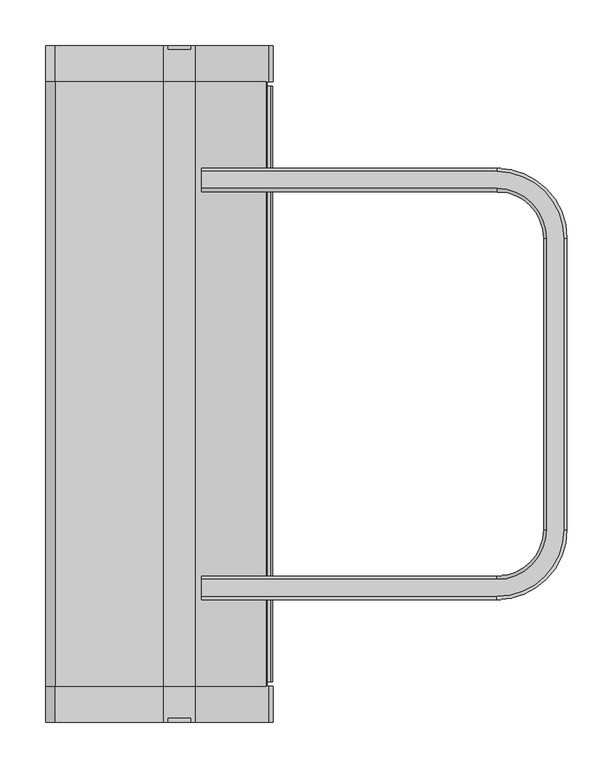
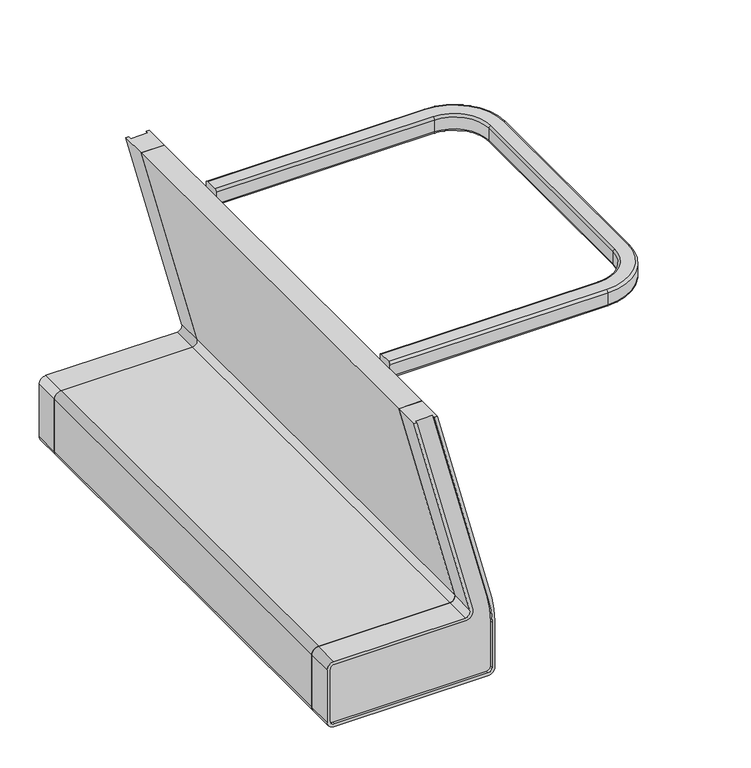
"""IFC4 building model written with IfcOpenShell, lengths in millimetres: furniture geometry."""

from ifc_helpers import new_model, si_unit, point, frame, frame_2d, origin, place, context, project, spatial, polyline, circle_curve, ellipse_curve, trimmed, segment, composite_curve, outline, extrude, source, transform, mapped, element, save
from ifc_brep_helpers import plane_surface, cylinder_surface, revolved_surface, advanced_brep


def furniture_e2d48e01(model_context):
    return source(origin(), model_context, "Body", "SolidModel", [
        advanced_brep(
        [(5.4356001, -43.7636032, 294.9958383), (245.1908743, -43.7636032, 294.9958383), (247.258436, -43.7636032, 292.9282766), (247.258436, -43.7636032, 289.8830508), (239.6130451, -43.7636032, 280.238436), (239.3348099, -43.7636032, 281.4254638), (246.0392335, -43.7636032, 289.8830508), (246.0392335, -43.7636032, 293.0017958), (245.2643935, -43.7636032, 293.7766358), (231.4088402, -43.7636032, 293.7766358), (231.4088402, -43.7636032, 292.5625202), (216.8524401, -43.7636032, 292.5625202), (215.6049538, -43.7636032, 291.3150339), (215.6049538, -43.7636032, 282.2856766), (213.0376263, -43.7636032, 279.8574454), (40.2589289, -43.7636032, 279.8574454), (37.754159, -43.7636032, 282.3622153), (37.754159, -43.7636032, 292.5625202), (21.9502795, -43.7636032, 292.5625202), (21.9502795, -43.7636032, 293.7766358), (4.2164, -43.7636032, 293.7766358), (4.2164, -43.7636032, 312.826654), (5.4356001, -43.7636032, 312.826654), (38.9682791, -43.7636032, 293.7766358), (38.9682791, -43.7636032, 282.3149181), (40.2116362, -43.7636032, 281.071561), (213.163093, -43.7636032, 281.071561), (214.3908382, -43.7636032, 282.2993062), (214.3908382, -43.7636032, 293.7766358), (5.4356001, -692.835181, 294.9958383), (5.4356001, -692.835181, 312.826654), (4.2164, -692.835181, 312.826654), (4.2164, -692.835181, 293.7766358), (21.9502795, -692.835181, 293.7766358), (21.9502795, -692.835181, 292.5625202), (37.754159, -692.835181, 292.5625202), (37.754159, -692.835181, 282.3622153), (40.2589289, -692.835181, 279.8574454), (213.1767227, -692.835181, 279.8574454), (215.6049538, -692.835181, 282.2856766), (215.6049538, -692.835181, 291.3150339), (216.8524401, -692.835181, 292.5625202), (231.4088402, -692.835181, 292.5625202), (231.4088402, -692.835181, 293.7766358), (245.2643935, -692.835181, 293.7766358), (246.0392335, -692.835181, 293.0017958), (246.0392335, -692.835181, 289.8830508), (239.3348099, -692.835181, 281.4254638), (239.6130451, -692.835181, 280.238436), (247.258436, -692.835181, 289.8830508), (247.258436, -692.835181, 292.9282766), (245.1908743, -692.835181, 294.9958383), (38.9682791, -692.835181, 293.7766358), (214.3908382, -692.835181, 293.7766358), (214.3908382, -692.835181, 282.2993062), (213.163093, -692.835181, 281.071561), (40.2116362, -692.835181, 281.071561), (38.9682791, -692.835181, 282.3149181)],
        [
            (0, 1),
            (1, 2, circle_curve(frame((245.1908743, -43.7636032, 292.9282766), z_axis=(0.0, 1.0, 0.0), x_axis=(-1.0, 0.0, 0.0)), 2.0675617)),
            (2, 3),
            (3, 4, circle_curve(frame((237.3524286, -43.7636032, 289.8830508), z_axis=(0.0, 1.0, 0.0), x_axis=(-1.0, 0.0, 0.0)), 9.9060073)),
            (4, 5),
            (5, 6, circle_curve(frame((237.3524261, -43.7636032, 289.8830508), z_axis=(0.0, -1.0, 0.0), x_axis=(-1.0, 0.0, 0.0)), 8.6868074)),
            (6, 7),
            (7, 8, circle_curve(frame((245.2643935, -43.7636032, 293.0017958), z_axis=(0.0, -1.0, 0.0), x_axis=(-1.0, 0.0, 0.0)), 0.77484)),
            (8, 9),
            (9, 10),
            (10, 11),
            (11, 12, circle_curve(frame((216.8524401, -43.7636032, 291.3150339), z_axis=(0.0, -1.0, 0.0), x_axis=(-1.0, 0.0, 0.0)), 1.2474863)),
            (12, 13),
            (13, 14, circle_curve(frame((213.1729546, -43.7636032, 282.2856766), z_axis=(0.0, 1.0, 0.0), x_axis=(-1.0, 0.0, 0.0)), 2.4319992)),
            (14, 15),
            (15, 16, circle_curve(frame((40.2589289, -43.7636032, 282.3622153), z_axis=(0.0, 1.0, 0.0), x_axis=(-1.0, 0.0, 0.0)), 2.5047699)),
            (16, 17),
            (17, 18),
            (18, 19),
            (19, 20),
            (20, 21),
            (21, 22),
            (22, 0),
            (23, 24),
            (24, 25, circle_curve(frame((40.2116362, -43.7636032, 282.3149181), z_axis=(0.0, -1.0, 0.0), x_axis=(-1.0, 0.0, 0.0)), 1.2433571)),
            (25, 26),
            (26, 27, circle_curve(frame((213.163093, -43.7636032, 282.2993062), z_axis=(0.0, -1.0, 0.0), x_axis=(-1.0, 0.0, 0.0)), 1.2277452)),
            (27, 28),
            (28, 23),
            (29, 30),
            (30, 31),
            (31, 32),
            (32, 33),
            (33, 34),
            (34, 35),
            (35, 36),
            (36, 37, circle_curve(frame((40.2589289, -692.835181, 282.3622153), z_axis=(0.0, -1.0, 0.0), x_axis=(-1.0, 0.0, 0.0)), 2.5047699)),
            (37, 38),
            (38, 39, circle_curve(frame((213.1729546, -692.835181, 282.2856766), z_axis=(0.0, -1.0, 0.0), x_axis=(-1.0, 0.0, 0.0)), 2.4319992)),
            (39, 40),
            (40, 41, circle_curve(frame((216.8524401, -692.835181, 291.3150339), z_axis=(0.0, 1.0, 0.0), x_axis=(-1.0, 0.0, 0.0)), 1.2474863)),
            (41, 42),
            (42, 43),
            (43, 44),
            (44, 45, circle_curve(frame((245.2643935, -692.835181, 293.0017958), z_axis=(0.0, 1.0, 0.0), x_axis=(-1.0, 0.0, 0.0)), 0.77484)),
            (45, 46),
            (46, 47, circle_curve(frame((237.3524261, -692.835181, 289.8830508), z_axis=(0.0, 1.0, 0.0), x_axis=(-1.0, 0.0, 0.0)), 8.6868074)),
            (47, 48),
            (48, 49, circle_curve(frame((237.3524286, -692.835181, 289.8830508), z_axis=(0.0, -1.0, 0.0), x_axis=(-1.0, 0.0, 0.0)), 9.9060073)),
            (49, 50),
            (50, 51, circle_curve(frame((245.1908743, -692.835181, 292.9282766), z_axis=(0.0, -1.0, 0.0), x_axis=(-1.0, 0.0, 0.0)), 2.0675617)),
            (51, 29),
            (52, 53),
            (53, 54),
            (54, 55, circle_curve(frame((213.163093, -692.835181, 282.2993062), z_axis=(0.0, 1.0, 0.0), x_axis=(-1.0, 0.0, 0.0)), 1.2277452)),
            (55, 56),
            (56, 57, circle_curve(frame((40.2116362, -692.835181, 282.3149181), z_axis=(0.0, 1.0, 0.0), x_axis=(-1.0, 0.0, 0.0)), 1.2433571)),
            (57, 52),
            (0, 29),
            (51, 1),
            (50, 2),
            (49, 3),
            (48, 4),
            (47, 5),
            (46, 6),
            (45, 7),
            (44, 8),
            (43, 9),
            (42, 10),
            (41, 11),
            (40, 12),
            (39, 13),
            (38, 14),
            (37, 15),
            (36, 16),
            (35, 17),
            (34, 18),
            (33, 19),
            (32, 20),
            (31, 21),
            (30, 22),
            (23, 52),
            (57, 24),
            (56, 25),
            (55, 26),
            (54, 27),
            (53, 28),
        ],
        [
            plane_surface(frame((245.2772342, -43.7636032, 294.9958383), z_axis=(0.0, 1.0, 0.0), x_axis=(1.0, 0.0, 0.0))),
            plane_surface(frame((245.2772342, -692.835181, 294.9958383), z_axis=(0.0, -1.0, 0.0), x_axis=(-1.0, 0.0, 0.0))),
            plane_surface(frame((5.4356001, -43.7636032, 294.9958383), z_axis=(0.0, 0.0, 1.0), x_axis=(0.0, -1.0, 0.0))),
            cylinder_surface(frame((245.1908743, -692.835181, 292.9282766), z_axis=(0.0, 1.0, 0.0), x_axis=(-1.0, 0.0, 0.0)), 2.0675617),
            plane_surface(frame((247.258436, -43.7636032, 292.9282766), z_axis=(1.0, 0.0, 0.0), x_axis=(0.0, -1.0, 0.0))),
            cylinder_surface(frame((237.3524286, -692.835181, 289.8830508), z_axis=(0.0, 1.0, 0.0), x_axis=(-1.0, 0.0, 0.0)), 9.9060073),
            plane_surface(frame((239.6130451, -43.7636032, 280.238436), z_axis=(-0.9736116548319547, 0.0, -0.22821118635023738), x_axis=(0.0, -1.0, 0.0))),
            revolved_surface(polyline([(228.6656187, -692.835181, 289.8830508), (228.6656187, -43.763603200000034, 289.8830508)]), (237.3524261, -692.835181, 289.8830508), (0.0, -1.0, 0.0)),
            plane_surface(frame((246.0392335, -43.7636032, 289.8830508), z_axis=(-1.0, 0.0, 0.0), x_axis=(0.0, -1.0, 0.0))),
            revolved_surface(polyline([(244.4895535, -692.835181, 293.0017958), (244.4895535, -43.763603200000034, 293.0017958)]), (245.2643935, -692.835181, 293.0017958), (0.0, -1.0, 0.0)),
            plane_surface(frame((245.2643935, -43.7636032, 293.7766358), z_axis=(0.0, 0.0, -1.0), x_axis=(0.0, -1.0, 0.0))),
            plane_surface(frame((231.4088402, -43.7636032, 293.7766358), z_axis=(1.0, 0.0, 0.0), x_axis=(0.0, -1.0, 0.0))),
            plane_surface(frame((231.4088402, -43.7636032, 292.5625202), z_axis=(0.0, 0.0, -1.0), x_axis=(0.0, -1.0, 0.0))),
            revolved_surface(polyline([(215.6049538, -692.835181, 291.3150339), (215.6049538, -43.763603200000034, 291.3150339)]), (216.8524401, -692.835181, 291.3150339), (0.0, -1.0, 0.0)),
            plane_surface(frame((215.6049538, -43.7636032, 291.3150339), z_axis=(1.0, 0.0, 0.0), x_axis=(0.0, -1.0, 0.0))),
            cylinder_surface(frame((213.1729546, -692.835181, 282.2856766), z_axis=(0.0, 1.0, 0.0), x_axis=(-1.0, 0.0, 0.0)), 2.4319992),
            plane_surface(frame((213.1767227, -43.7636032, 279.8574454), z_axis=(0.0, 0.0, -1.0), x_axis=(0.0, -1.0, 0.0))),
            cylinder_surface(frame((40.2589289, -692.835181, 282.3622153), z_axis=(0.0, 1.0, 0.0), x_axis=(-1.0, 0.0, 0.0)), 2.5047699),
            plane_surface(frame((37.754159, -43.7636032, 282.3622153), z_axis=(-1.0, 0.0, 0.0), x_axis=(0.0, -1.0, 0.0))),
            plane_surface(frame((37.754159, -43.7636032, 292.5625202), z_axis=(0.0, 0.0, -1.0), x_axis=(0.0, -1.0, 0.0))),
            plane_surface(frame((21.9502795, -43.7636032, 292.5625202), z_axis=(-1.0, 0.0, 0.0), x_axis=(0.0, -1.0, 0.0))),
            plane_surface(frame((21.9502795, -43.7636032, 293.7766358), z_axis=(0.0, 0.0, -1.0), x_axis=(0.0, -1.0, 0.0))),
            plane_surface(frame((4.2164, -43.7636032, 293.7766358), z_axis=(-1.0, 0.0, 0.0), x_axis=(0.0, -1.0, 0.0))),
            plane_surface(frame((4.2164, -43.7636032, 312.826654), z_axis=(0.0, 0.0, 1.0), x_axis=(0.0, -1.0, 0.0))),
            plane_surface(frame((5.4356001, -43.7636032, 312.826654), z_axis=(1.0, 0.0, 0.0), x_axis=(0.0, -1.0, 0.0))),
            plane_surface(frame((38.9682791, -43.7636032, 293.7766358), z_axis=(1.0, 0.0, 0.0), x_axis=(0.0, -1.0, 0.0))),
            revolved_surface(polyline([(38.968279100000004, -692.835181, 282.3149181), (38.968279100000004, -43.763603200000034, 282.3149181)]), (40.2116362, -692.835181, 282.3149181), (0.0, -1.0, 0.0)),
            plane_surface(frame((40.2116362, -43.7636032, 281.071561), z_axis=(0.0, 0.0, 1.0), x_axis=(0.0, -1.0, 0.0))),
            revolved_surface(polyline([(211.93534780000002, -692.835181, 282.2993062), (211.93534780000002, -43.763603200000034, 282.2993062)]), (213.163093, -692.835181, 282.2993062), (0.0, -1.0, 0.0)),
            plane_surface(frame((214.3908382, -43.7636032, 282.2993062), z_axis=(-1.0, 0.0, 0.0), x_axis=(0.0, -1.0, 0.0))),
            plane_surface(frame((214.3908382, -43.7636032, 293.7766358), z_axis=(0.0, 0.0, -1.0), x_axis=(0.0, -1.0, 0.0))),
        ],
        [
            (0, [[1, 2, 3, 4, 5, 6, 7, 8, 9, 10, 11, 12, 13, 14, 15, 16, 17, 18, 19, 20, 21, 22, 23], [24, 25, 26, 27, 28, 29]]),
            (1, [[30, 31, 32, 33, 34, 35, 36, 37, 38, 39, 40, 41, 42, 43, 44, 45, 46, 47, 48, 49, 50, 51, 52], [53, 54, 55, 56, 57, 58]]),
            (2, [[-1, 59, -52, 60]]),
            (3, [[-2, -60, -51, 61]]),
            (4, [[-3, -61, -50, 62]]),
            (5, [[-4, -62, -49, 63]]),
            (6, [[-5, -63, -48, 64]]),
            (7, [[-6, -64, -47, 65]]),
            (8, [[-7, -65, -46, 66]]),
            (9, [[-8, -66, -45, 67]]),
            (10, [[-9, -67, -44, 68]]),
            (11, [[-10, -68, -43, 69]]),
            (12, [[-11, -69, -42, 70]]),
            (13, [[-12, -70, -41, 71]]),
            (14, [[-13, -71, -40, 72]]),
            (15, [[-14, -72, -39, 73]]),
            (16, [[-15, -73, -38, 74]]),
            (17, [[-16, -74, -37, 75]]),
            (18, [[-17, -75, -36, 76]]),
            (19, [[-18, -76, -35, 77]]),
            (20, [[-19, -77, -34, 78]]),
            (21, [[-20, -78, -33, 79]]),
            (22, [[-21, -79, -32, 80]]),
            (23, [[-22, -80, -31, 81]]),
            (24, [[-23, -81, -30, -59]]),
            (25, [[-24, 82, -58, 83]]),
            (26, [[-25, -83, -57, 84]]),
            (27, [[-26, -84, -56, 85]]),
            (28, [[-27, -85, -55, 86]]),
            (29, [[-28, -86, -54, 87]]),
            (30, [[-29, -87, -53, -82]]),
        ],
    ),
        extrude(outline(composite_curve([segment(polyline([(377.2410575, 12.261998), (377.2410575, 215.4518174)]), True, "CONTINUOUS"), segment(trimmed(circle_curve(frame_2d((403.3754018, 214.8607224)), 26.141028), [point((377.2410575, 215.4518174))], [point((409.9011823, 240.1741088))], False, "CARTESIAN"), True, "CONTINUOUS"), segment(polyline([(409.9011823, 240.1741088), (711.1999758, 162.4994055), (711.1999758, 128.1751574), (390.5967998, 210.8265225)]), True, "CONTINUOUS"), segment(trimmed(circle_curve(frame_2d((388.7710524, 203.7444807)), 7.3135948), [point((390.5967998, 210.8265225))], [point((381.4574575, 203.7444807))], True, "CARTESIAN"), True, "CONTINUOUS"), segment(polyline([(381.4574575, 203.7444807), (381.4574575, 10.1588776)]), True, "CONTINUOUS"), segment(trimmed(circle_curve(frame_2d((371.29858, 10.1588776)), 10.1588776), [point((381.4574575, 10.1588776))], [point((371.29858, 0.0))], False, "CARTESIAN"), True, "CONTINUOUS"), segment(polyline([(371.29858, 0.0), (290.0132466, 0.0)]), True, "CONTINUOUS"), segment(trimmed(circle_curve(frame_2d((290.0132466, 10.1558011)), 10.1558011), [point((290.0132466, 0.0))], [point((279.8574454, 10.1558011))], False, "CARTESIAN"), True, "CONTINUOUS"), segment(polyline([(279.8574454, 10.1558011), (279.8574454, 12.261998), (377.2410575, 12.261998)]), True, "CONTINUOUS")], self_intersect=False)), frame((0.0, -697.3577248, 0.0), z_axis=(0.0, 1.0, 0.0), x_axis=(0.0, 0.0, 1.0)), (0.0, 0.0, 1.0), 658.1139901),
        advanced_brep(
        [(10.1588776, -0.0291407, 381.4574575), (203.7444807, -0.0291407, 381.4574575), (210.8265225, -0.0291407, 390.5967998), (128.1751574, -0.0291407, 711.1999758), (132.529416, -0.0291407, 711.1999758), (214.9094286, -0.0291407, 391.6493713), (203.7444807, -0.0291407, 377.2410575), (10.9800362, -0.0291407, 377.2410575), (4.2164, -0.0291407, 370.4774214), (4.2164, -0.0291407, 290.4982396), (10.6407942, -0.0291407, 284.0738454), (237.2348775, -0.0291407, 284.0738454), (243.5848775, -0.0291407, 290.4238454), (243.5848775, -0.0291407, 360.6802374), (238.3462046, -0.0291407, 400.2485679), (158.1450181, -0.0291407, 711.1999758), (162.4994055, -0.0291407, 711.1999758), (242.8194275, -0.0291407, 399.7878255), (247.6488736, -0.0291407, 361.7261438), (247.6488736, -0.0291407, 290.0174357), (237.4888833, -0.0291407, 279.8574454), (10.1558011, -0.0291407, 279.8574454), (0.0, -0.0291407, 290.0132466), (0.0, -0.0291407, 371.29858), (10.1588776, -39.2709314, 381.4574575), (0.0, -39.2709314, 371.29858), (0.0, -39.2709314, 290.0132466), (10.1558011, -39.2709314, 279.8574454), (237.4888833, -39.2709314, 279.8574454), (247.6488736, -39.2709314, 290.0174357), (247.6488736, -39.2709314, 361.7261438), (242.8194275, -39.2709314, 399.7878255), (162.4994055, -39.2709314, 711.1999758), (128.1751574, -39.2709314, 711.1999758), (210.8265225, -39.2709314, 390.5967998), (203.7444807, -39.2709314, 381.4574575), (158.1450181, -4.4729101, 711.1999758), (132.529416, -4.4729101, 711.1999758), (10.9800362, -4.4729101, 377.2410575), (203.7444807, -4.4729101, 377.2410575), (214.9094286, -4.4729101, 391.6493713), (238.3462046, -4.4729101, 400.2485679), (243.5848775, -4.4729101, 360.6802374), (243.5848775, -4.4729101, 290.4238454), (237.2348775, -4.4729101, 284.0738454), (10.6407942, -4.4729101, 284.0738454), (4.2164, -4.4729101, 290.4982396), (4.2164, -4.4729101, 370.4774214)],
        [
            (0, 1),
            (1, 2, circle_curve(frame((203.7444807, -0.0291407, 388.7710524), z_axis=(0.0, -1.0, 0.0), x_axis=(-1.0, 0.0, 0.0)), 7.3135948)),
            (2, 3),
            (3, 4),
            (4, 5),
            (5, 6, circle_curve(frame((203.7444807, -0.0291407, 388.7710524), z_axis=(0.0, 1.0, 0.0), x_axis=(1.0, 0.0, 0.0)), 11.5299948)),
            (6, 7),
            (7, 8, circle_curve(frame((10.9800362, -0.0291407, 370.4774214), z_axis=(0.0, -1.0, 0.0), x_axis=(1.0, 0.0, 0.0)), 6.7636362)),
            (8, 9),
            (9, 10, circle_curve(frame((10.6407942, -0.0291407, 290.4982396), z_axis=(0.0, -1.0, 0.0), x_axis=(1.0, 0.0, 0.0)), 6.4243942)),
            (10, 11),
            (11, 12, circle_curve(frame((237.2348775, -0.0291407, 290.4238454), z_axis=(0.0, -1.0, 0.0), x_axis=(1.0, 0.0, 0.0)), 6.35)),
            (12, 13),
            (13, 14, circle_curve(frame((77.9738384, -0.0291407, 358.8850181), z_axis=(0.0, -1.0, 0.0), x_axis=(1.0, 0.0, 0.0)), 165.6207689)),
            (14, 15),
            (15, 16),
            (16, 17),
            (17, 18, circle_curve(frame((95.2488736, -0.0291407, 361.7261438), z_axis=(0.0, 1.0, 0.0), x_axis=(-1.0, 0.0, 0.0)), 152.4)),
            (18, 19),
            (19, 20, circle_curve(frame((237.4888833, -0.0291407, 290.0174357), z_axis=(0.0, 1.0, 0.0), x_axis=(-1.0, 0.0, 0.0)), 10.1599903)),
            (20, 21),
            (21, 22, circle_curve(frame((10.1558011, -0.0291407, 290.0132466), z_axis=(0.0, 1.0, 0.0), x_axis=(-1.0, 0.0, 0.0)), 10.1558011)),
            (22, 23),
            (23, 0, circle_curve(frame((10.1588776, -0.0291407, 371.29858), z_axis=(0.0, 1.0, 0.0), x_axis=(-1.0, 0.0, 0.0)), 10.1588776)),
            (24, 25, circle_curve(frame((10.1588776, -39.2709314, 371.29858), z_axis=(0.0, -1.0, 0.0), x_axis=(-1.0, 0.0, 0.0)), 10.1588776)),
            (25, 26),
            (26, 27, circle_curve(frame((10.1558011, -39.2709314, 290.0132466), z_axis=(0.0, -1.0, 0.0), x_axis=(-1.0, 0.0, 0.0)), 10.1558011)),
            (27, 28),
            (28, 29, circle_curve(frame((237.4888833, -39.2709314, 290.0174357), z_axis=(0.0, -1.0, 0.0), x_axis=(-1.0, 0.0, 0.0)), 10.1599903)),
            (29, 30),
            (30, 31, circle_curve(frame((95.2488736, -39.2709314, 361.7261438), z_axis=(0.0, -1.0, 0.0), x_axis=(-1.0, 0.0, 0.0)), 152.4)),
            (31, 32),
            (32, 33),
            (33, 34),
            (34, 35, circle_curve(frame((203.7444807, -39.2709314, 388.7710524), z_axis=(0.0, 1.0, 0.0), x_axis=(-1.0, 0.0, 0.0)), 7.3135948)),
            (35, 24),
            (0, 24),
            (35, 1),
            (34, 2),
            (33, 3),
            (32, 16),
            (15, 36),
            (36, 37),
            (37, 4),
            (31, 17),
            (30, 18),
            (29, 19),
            (20, 28),
            (27, 21),
            (22, 26),
            (25, 23),
            (38, 39),
            (39, 40, circle_curve(frame((203.7444807, -4.4729101, 388.7710524), z_axis=(0.0, -1.0, 0.0), x_axis=(1.0, 0.0, 0.0)), 11.5299948)),
            (40, 37),
            (36, 41),
            (41, 42, circle_curve(frame((77.9738384, -4.4729101, 358.8850181), z_axis=(0.0, 1.0, 0.0), x_axis=(1.0, 0.0, 0.0)), 165.6207689)),
            (42, 43),
            (43, 44, circle_curve(frame((237.2348775, -4.4729101, 290.4238454), z_axis=(0.0, 1.0, 0.0), x_axis=(1.0, 0.0, 0.0)), 6.35)),
            (44, 45),
            (45, 46, circle_curve(frame((10.6407942, -4.4729101, 290.4982396), z_axis=(0.0, 1.0, 0.0), x_axis=(1.0, 0.0, 0.0)), 6.4243942)),
            (46, 47),
            (47, 38, circle_curve(frame((10.9800362, -4.4729101, 370.4774214), z_axis=(0.0, 1.0, 0.0), x_axis=(1.0, 0.0, 0.0)), 6.7636362)),
            (47, 8),
            (7, 38),
            (46, 9),
            (45, 10),
            (44, 11),
            (43, 12),
            (42, 13),
            (41, 14),
            (40, 5),
            (39, 6),
        ],
        [
            plane_surface(frame((0.0, -0.0291407, 371.29858), z_axis=(0.0, 1.0, 0.0), x_axis=(0.0, 0.0, 1.0))),
            plane_surface(frame((0.0, -39.2709314, 371.29858), z_axis=(0.0, -1.0, 0.0), x_axis=(0.0, 0.0, -1.0))),
            plane_surface(frame((203.7444807, -39.2709314, 381.4574575), z_axis=(0.0, 0.0, 1.0), x_axis=(0.0, 1.0, 0.0))),
            revolved_surface(polyline([(196.4308859, -0.0291407, 388.7710524), (196.4308859, -39.2709314, 388.7710524)]), (203.7444807, -0.0291407, 388.7710524), (0.0, 1.0, 0.0)),
            plane_surface(frame((128.1751574, -39.2709314, 711.1999758), z_axis=(-0.9683393652450462, 0.0, -0.24963748459881024), x_axis=(0.0, 1.0, 0.0))),
            plane_surface(frame((162.4994055, -39.2709314, 711.1999758), z_axis=(0.0, 0.0, 1.0), x_axis=(0.0, 1.0, 0.0))),
            plane_surface(frame((242.8194275, -39.2709314, 399.7878255), z_axis=(0.9683107212615016, 0.0, 0.24974856774370197), x_axis=(0.0, 1.0, 0.0))),
            cylinder_surface(frame((95.2488736, -0.0291407, 361.7261438), z_axis=(0.0, -1.0, 0.0), x_axis=(-1.0, 0.0, 0.0)), 152.4),
            plane_surface(frame((247.6488736, -39.2709314, 290.0174357), z_axis=(1.0, 0.0, 0.0), x_axis=(0.0, 1.0, 0.0))),
            plane_surface(frame((10.1558011, -39.2709314, 279.8574454), z_axis=(0.0, 0.0, -1.0), x_axis=(0.0, 1.0, 0.0))),
            plane_surface(frame((0.0, -39.2709314, 371.29858), z_axis=(-1.0, 0.0, 0.0), x_axis=(0.0, 1.0, 0.0))),
            plane_surface(frame((203.7444807, -4.4729101, 377.2410575), z_axis=(0.0, 1.0, 0.0), x_axis=(-1.0, 0.0, 0.0))),
            revolved_surface(polyline([(17.7436724, -0.02914070000000013, 370.4774214), (17.7436724, -4.4729101, 370.4774214)]), (10.9800362, -4.4729101, 370.4774214), (0.0, 1.0, 0.0)),
            plane_surface(frame((4.2164, -0.0291407, 290.4982396), z_axis=(1.0, 0.0, 0.0), x_axis=(0.0, -1.0, 0.0))),
            revolved_surface(polyline([(17.0651884, -0.02914070000000013, 290.4982396), (17.0651884, -4.4729101, 290.4982396)]), (10.6407942, -4.4729101, 290.4982396), (0.0, 1.0, 0.0)),
            plane_surface(frame((237.2348775, -0.0291407, 284.0738454), z_axis=(0.0, 0.0, 1.0), x_axis=(0.0, -1.0, 0.0))),
            revolved_surface(polyline([(243.5848775, -0.02914070000000013, 290.4238454), (243.5848775, -4.4729101, 290.4238454)]), (237.2348775, -4.4729101, 290.4238454), (0.0, 1.0, 0.0)),
            plane_surface(frame((243.5848775, -0.0291407, 360.6802374), z_axis=(-1.0, 0.0, 0.0), x_axis=(0.0, -1.0, 0.0))),
            revolved_surface(polyline([(243.5946073, -0.02914070000000013, 358.8850181), (243.5946073, -4.4729101, 358.8850181)]), (77.9738384, -4.4729101, 358.8850181), (0.0, 1.0, 0.0)),
            plane_surface(frame((158.1450181, -0.0291407, 711.1999758), z_axis=(-0.9683107212615018, 0.0, -0.24974856774370188), x_axis=(0.0, -1.0, 0.0))),
            plane_surface(frame((214.9094286, -0.0291407, 391.6493713), z_axis=(0.9683393652450463, 0.0, 0.24963748459880955), x_axis=(0.0, -1.0, 0.0))),
            cylinder_surface(frame((203.7444807, -4.4729101, 388.7710524), z_axis=(0.0, -1.0, 0.0), x_axis=(1.0, 0.0, 0.0)), 11.5299948),
            plane_surface(frame((10.9800362, -0.0291407, 377.2410575), z_axis=(0.0, 0.0, -1.0), x_axis=(0.0, -1.0, 0.0))),
            cylinder_surface(frame((10.1588776, -0.0291407, 371.29858), z_axis=(0.0, -1.0, 0.0), x_axis=(-1.0, 0.0, 0.0)), 10.1588776),
            cylinder_surface(frame((10.1558011, -0.0291407, 290.0132466), z_axis=(0.0, -1.0, 0.0), x_axis=(-1.0, 0.0, 0.0)), 10.1558011),
            cylinder_surface(frame((237.4888833, -0.0291407, 290.0174357), z_axis=(0.0, -1.0, 0.0), x_axis=(-1.0, 0.0, 0.0)), 10.1599903),
        ],
        [
            (0, [[1, 2, 3, 4, 5, 6, 7, 8, 9, 10, 11, 12, 13, 14, 15, 16, 17, 18, 19, 20, 21, 22, 23, 24]]),
            (1, [[25, 26, 27, 28, 29, 30, 31, 32, 33, 34, 35, 36]]),
            (2, [[-1, 37, -36, 38]]),
            (3, [[-2, -38, -35, 39]]),
            (4, [[-3, -39, -34, 40]]),
            (5, [[-33, 41, -16, 42, 43, 44, -4, -40]]),
            (6, [[-17, -41, -32, 45]]),
            (7, [[-18, -45, -31, 46]]),
            (8, [[-19, -46, -30, 47]]),
            (9, [[-21, 48, -28, 49]]),
            (10, [[-23, 50, -26, 51]]),
            (11, [[52, 53, 54, -43, 55, 56, 57, 58, 59, 60, 61, 62]]),
            (12, [[-62, 63, -8, 64]]),
            (13, [[-61, 65, -9, -63]]),
            (14, [[-60, 66, -10, -65]]),
            (15, [[-59, 67, -11, -66]]),
            (16, [[-58, 68, -12, -67]]),
            (17, [[-57, 69, -13, -68]]),
            (18, [[-56, 70, -14, -69]]),
            (19, [[-55, -42, -15, -70]]),
            (20, [[-54, 71, -5, -44]]),
            (21, [[-53, 72, -6, -71]]),
            (22, [[-52, -64, -7, -72]]),
            (23, [[-24, -51, -25, -37]]),
            (24, [[-22, -49, -27, -50]]),
            (25, [[-20, -47, -29, -48]]),
        ],
    ),
        advanced_brep(
        [(10.1588776, -736.5995155, 381.4574575), (0.0, -736.5995155, 371.29858), (0.0, -736.5995155, 290.0132466), (10.1558011, -736.5995155, 279.8574454), (237.4888833, -736.5995155, 279.8574454), (247.6488736, -736.5995155, 290.0174357), (247.6488736, -736.5995155, 361.7261438), (242.8194275, -736.5995155, 399.7878255), (162.4994055, -736.5995155, 711.1999758), (158.1450181, -736.5995155, 711.1999758), (238.3462046, -736.5995155, 400.2485679), (243.5848775, -736.5995155, 360.6802374), (243.5848775, -736.5995155, 290.4238454), (237.2348775, -736.5995155, 284.0738454), (10.6407942, -736.5995155, 284.0738454), (4.2164, -736.5995155, 290.4982396), (4.2164, -736.5995155, 370.4774214), (10.9800362, -736.5995155, 377.2410575), (203.7444807, -736.5995155, 377.2410575), (214.9094286, -736.5995155, 391.6493713), (132.529416, -736.5995155, 711.1999758), (128.1751574, -736.5995155, 711.1999758), (210.8265225, -736.5995155, 390.5967998), (203.7444807, -736.5995155, 381.4574575), (10.1588776, -697.3577248, 381.4574575), (203.7444807, -697.3577248, 381.4574575), (210.8265225, -697.3577248, 390.5967998), (128.1751574, -697.3577248, 711.1999758), (162.4994055, -697.3577248, 711.1999758), (242.8194275, -697.3577248, 399.7878255), (247.6488736, -697.3577248, 361.7261438), (247.6488736, -697.3577248, 290.0174357), (237.4888833, -697.3577248, 279.8574454), (10.1558011, -697.3577248, 279.8574454), (0.0, -697.3577248, 290.0132466), (0.0, -697.3577248, 371.29858), (132.529416, -732.1557461, 711.1999758), (158.1450181, -732.1557461, 711.1999758), (10.9800362, -732.1557461, 377.2410575), (4.2164, -732.1557461, 370.4774214), (4.2164, -732.1557461, 290.4982396), (10.6407942, -732.1557461, 284.0738454), (237.2348775, -732.1557461, 284.0738454), (243.5848775, -732.1557461, 290.4238454), (243.5848775, -732.1557461, 360.6802374), (238.3462046, -732.1557461, 400.2485679), (214.9094286, -732.1557461, 391.6493713), (203.7444807, -732.1557461, 377.2410575)],
        [
            (0, 1, circle_curve(frame((10.1588776, -736.5995155, 371.29858), z_axis=(0.0, -1.0, 0.0), x_axis=(-1.0, 0.0, 0.0)), 10.1588776)),
            (1, 2),
            (2, 3, circle_curve(frame((10.1558011, -736.5995155, 290.0132466), z_axis=(0.0, -1.0, 0.0), x_axis=(-1.0, 0.0, 0.0)), 10.1558011)),
            (3, 4),
            (4, 5, circle_curve(frame((237.4888833, -736.5995155, 290.0174357), z_axis=(0.0, -1.0, 0.0), x_axis=(-1.0, 0.0, 0.0)), 10.1599903)),
            (5, 6),
            (6, 7, circle_curve(frame((95.2488736, -736.5995155, 361.7261438), z_axis=(0.0, -1.0, 0.0), x_axis=(-1.0, 0.0, 0.0)), 152.4)),
            (7, 8),
            (8, 9),
            (9, 10),
            (10, 11, circle_curve(frame((77.9738384, -736.5995155, 358.8850181), z_axis=(0.0, 1.0, 0.0), x_axis=(1.0, 0.0, 0.0)), 165.6207689)),
            (11, 12),
            (12, 13, circle_curve(frame((237.2348775, -736.5995155, 290.4238454), z_axis=(0.0, 1.0, 0.0), x_axis=(1.0, 0.0, 0.0)), 6.35)),
            (13, 14),
            (14, 15, circle_curve(frame((10.6407942, -736.5995155, 290.4982396), z_axis=(0.0, 1.0, 0.0), x_axis=(1.0, 0.0, 0.0)), 6.4243942)),
            (15, 16),
            (16, 17, circle_curve(frame((10.9800362, -736.5995155, 370.4774214), z_axis=(0.0, 1.0, 0.0), x_axis=(1.0, 0.0, 0.0)), 6.7636362)),
            (17, 18),
            (18, 19, circle_curve(frame((203.7444807, -736.5995155, 388.7710524), z_axis=(0.0, -1.0, 0.0), x_axis=(1.0, 0.0, 0.0)), 11.5299948)),
            (19, 20),
            (20, 21),
            (21, 22),
            (22, 23, circle_curve(frame((203.7444807, -736.5995155, 388.7710524), z_axis=(0.0, 1.0, 0.0), x_axis=(-1.0, 0.0, 0.0)), 7.3135948)),
            (23, 0),
            (24, 25),
            (25, 26, circle_curve(frame((203.7444807, -697.3577248, 388.7710524), z_axis=(0.0, -1.0, 0.0), x_axis=(-1.0, 0.0, 0.0)), 7.3135948)),
            (26, 27),
            (27, 28),
            (28, 29),
            (29, 30, circle_curve(frame((95.2488736, -697.3577248, 361.7261438), z_axis=(0.0, 1.0, 0.0), x_axis=(-1.0, 0.0, 0.0)), 152.4)),
            (30, 31),
            (31, 32, circle_curve(frame((237.4888833, -697.3577248, 290.0174357), z_axis=(0.0, 1.0, 0.0), x_axis=(-1.0, 0.0, 0.0)), 10.1599903)),
            (32, 33),
            (33, 34, circle_curve(frame((10.1558011, -697.3577248, 290.0132466), z_axis=(0.0, 1.0, 0.0), x_axis=(-1.0, 0.0, 0.0)), 10.1558011)),
            (34, 35),
            (35, 24, circle_curve(frame((10.1588776, -697.3577248, 371.29858), z_axis=(0.0, 1.0, 0.0), x_axis=(-1.0, 0.0, 0.0)), 10.1588776)),
            (23, 25),
            (24, 0),
            (22, 26),
            (21, 27),
            (20, 36),
            (36, 37),
            (37, 9),
            (8, 28),
            (7, 29),
            (6, 30),
            (5, 31),
            (3, 33),
            (32, 4),
            (1, 35),
            (34, 2),
            (38, 39, circle_curve(frame((10.9800362, -732.1557461, 370.4774214), z_axis=(0.0, -1.0, 0.0), x_axis=(1.0, 0.0, 0.0)), 6.7636362)),
            (39, 40),
            (40, 41, circle_curve(frame((10.6407942, -732.1557461, 290.4982396), z_axis=(0.0, -1.0, 0.0), x_axis=(1.0, 0.0, 0.0)), 6.4243942)),
            (41, 42),
            (42, 43, circle_curve(frame((237.2348775, -732.1557461, 290.4238454), z_axis=(0.0, -1.0, 0.0), x_axis=(1.0, 0.0, 0.0)), 6.35)),
            (43, 44),
            (44, 45, circle_curve(frame((77.9738384, -732.1557461, 358.8850181), z_axis=(0.0, -1.0, 0.0), x_axis=(1.0, 0.0, 0.0)), 165.6207689)),
            (45, 37),
            (36, 46),
            (46, 47, circle_curve(frame((203.7444807, -732.1557461, 388.7710524), z_axis=(0.0, 1.0, 0.0), x_axis=(1.0, 0.0, 0.0)), 11.5299948)),
            (47, 38),
            (38, 17),
            (16, 39),
            (15, 40),
            (14, 41),
            (13, 42),
            (12, 43),
            (11, 44),
            (10, 45),
            (19, 46),
            (18, 47),
        ],
        [
            plane_surface(frame((1620.3870339, -736.5995155, 381.4574575), z_axis=(0.0, -1.0, 0.0), x_axis=(-1.0, 0.0, 0.0))),
            plane_surface(frame((1620.3870339, -697.3577248, 381.4574575), z_axis=(0.0, 1.0, 0.0), x_axis=(1.0, 0.0, 0.0))),
            plane_surface(frame((10.1588776, -697.3577248, 381.4574575), z_axis=(0.0, 0.0, 1.0), x_axis=(0.0, -1.0, 0.0))),
            revolved_surface(polyline([(196.4308859, -736.5995155, 388.7710524), (196.4308859, -697.3577248, 388.7710524)]), (203.7444807, -736.5995155, 388.7710524), (0.0, -1.0, 0.0)),
            plane_surface(frame((210.8265225, -697.3577248, 390.5967998), z_axis=(-0.9683393652450463, 0.0, -0.2496374845988097), x_axis=(0.0, -1.0, 0.0))),
            plane_surface(frame((128.1751574, -697.3577248, 711.1999758), z_axis=(0.0, 0.0, 1.0), x_axis=(0.0, -1.0, 0.0))),
            plane_surface(frame((162.4994055, -697.3577248, 711.1999758), z_axis=(0.9683107212615016, 0.0, 0.24974856774370194), x_axis=(0.0, -1.0, 0.0))),
            cylinder_surface(frame((95.2488736, -736.5995155, 361.7261438), z_axis=(0.0, 1.0, 0.0), x_axis=(-1.0, 0.0, 0.0)), 152.4),
            plane_surface(frame((247.6488736, -697.3577248, 361.7261438), z_axis=(1.0, 0.0, 0.0), x_axis=(0.0, -1.0, 0.0))),
            plane_surface(frame((237.4888833, -697.3577248, 279.8574454), z_axis=(0.0, 0.0, -1.0), x_axis=(0.0, -1.0, 0.0))),
            plane_surface(frame((0.0, -697.3577248, 290.0132466), z_axis=(-1.0, 0.0, 0.0), x_axis=(0.0, -1.0, 0.0))),
            plane_surface(frame((17.7436724, -732.1557461, 370.4774214), z_axis=(0.0, -1.0, 0.0), x_axis=(0.0, 0.0, -1.0))),
            revolved_surface(polyline([(17.7436724, -736.5995155, 370.4774214), (17.7436724, -732.1557461, 370.4774214)]), (10.9800362, -732.1557461, 370.4774214), (0.0, -1.0, 0.0)),
            plane_surface(frame((4.2164, -736.5995155, 370.4774214), z_axis=(1.0, 0.0, 0.0), x_axis=(0.0, 1.0, 0.0))),
            revolved_surface(polyline([(17.0651884, -736.5995155, 290.4982396), (17.0651884, -732.1557461, 290.4982396)]), (10.6407942, -732.1557461, 290.4982396), (0.0, -1.0, 0.0)),
            plane_surface(frame((10.6407942, -736.5995155, 284.0738454), z_axis=(0.0, 0.0, 1.0), x_axis=(0.0, 1.0, 0.0))),
            revolved_surface(polyline([(243.5848775, -736.5995155, 290.4238454), (243.5848775, -732.1557461, 290.4238454)]), (237.2348775, -732.1557461, 290.4238454), (0.0, -1.0, 0.0)),
            plane_surface(frame((243.5848775, -736.5995155, 290.4238454), z_axis=(-1.0, 0.0, 0.0), x_axis=(0.0, 1.0, 0.0))),
            revolved_surface(polyline([(243.5946073, -736.5995155, 358.8850181), (243.5946073, -732.1557461, 358.8850181)]), (77.9738384, -732.1557461, 358.8850181), (0.0, -1.0, 0.0)),
            plane_surface(frame((238.3462046, -736.5995155, 400.2485679), z_axis=(-0.9683107212615018, 0.0, -0.24974856774370188), x_axis=(0.0, 1.0, 0.0))),
            plane_surface(frame((132.529416, -736.5995155, 711.1999758), z_axis=(0.9683393652450463, 0.0, 0.24963748459880966), x_axis=(0.0, 1.0, 0.0))),
            cylinder_surface(frame((203.7444807, -732.1557461, 388.7710524), z_axis=(0.0, 1.0, 0.0), x_axis=(1.0, 0.0, 0.0)), 11.5299948),
            plane_surface(frame((203.7444807, -736.5995155, 377.2410575), z_axis=(0.0, 0.0, -1.0), x_axis=(0.0, 1.0, 0.0))),
            cylinder_surface(frame((237.4888833, -736.5995155, 290.0174357), z_axis=(0.0, 1.0, 0.0), x_axis=(-1.0, 0.0, 0.0)), 10.1599903),
            cylinder_surface(frame((10.1558011, -736.5995155, 290.0132466), z_axis=(0.0, 1.0, 0.0), x_axis=(-1.0, 0.0, 0.0)), 10.1558011),
            cylinder_surface(frame((10.1588776, -736.5995155, 371.29858), z_axis=(0.0, 1.0, 0.0), x_axis=(-1.0, 0.0, 0.0)), 10.1588776),
        ],
        [
            (0, [[1, 2, 3, 4, 5, 6, 7, 8, 9, 10, 11, 12, 13, 14, 15, 16, 17, 18, 19, 20, 21, 22, 23, 24]]),
            (1, [[25, 26, 27, 28, 29, 30, 31, 32, 33, 34, 35, 36]]),
            (2, [[-24, 37, -25, 38]]),
            (3, [[-23, 39, -26, -37]]),
            (4, [[-22, 40, -27, -39]]),
            (5, [[-28, -40, -21, 41, 42, 43, -9, 44]]),
            (6, [[-8, 45, -29, -44]]),
            (7, [[-7, 46, -30, -45]]),
            (8, [[-6, 47, -31, -46]]),
            (9, [[-4, 48, -33, 49]]),
            (10, [[-2, 50, -35, 51]]),
            (11, [[52, 53, 54, 55, 56, 57, 58, 59, -42, 60, 61, 62]]),
            (12, [[-52, 63, -17, 64]]),
            (13, [[-53, -64, -16, 65]]),
            (14, [[-54, -65, -15, 66]]),
            (15, [[-55, -66, -14, 67]]),
            (16, [[-56, -67, -13, 68]]),
            (17, [[-57, -68, -12, 69]]),
            (18, [[-58, -69, -11, 70]]),
            (19, [[-59, -70, -10, -43]]),
            (20, [[-60, -41, -20, 71]]),
            (21, [[-61, -71, -19, 72]]),
            (22, [[-62, -72, -18, -63]]),
            (23, [[-5, -49, -32, -47]]),
            (24, [[-3, -51, -34, -48]]),
            (25, [[-1, -38, -36, -50]]),
        ],
    ),
        advanced_brep(
        [(169.8201506, -133.3509538, 689.1146717), (169.8201506, -136.7799596, 685.6856659), (169.8201506, -155.321951, 685.6856659), (169.8201506, -158.7509568, 689.1146717), (169.8201506, -158.7509568, 707.6567085), (169.8201506, -155.321951, 711.0857143), (169.8201506, -136.7799596, 711.0857143), (169.8201506, -133.3509538, 707.6567085), (491.8749184, -133.3509538, 689.1146717), (491.8749184, -136.7799596, 685.6856659), (564.6459035, -209.5509447, 685.6856659), (564.6459035, -527.0509689, 685.6856659), (491.8749184, -599.821954, 685.6856659), (169.8201506, -599.821954, 685.6856659), (169.8201506, -581.2799626, 685.6856659), (491.8749184, -581.2799626, 685.6856659), (546.1039121, -527.0509689, 685.6856659), (546.1039121, -209.5509447, 685.6856659), (491.8749184, -155.321951, 685.6856659), (491.8749184, -158.7509568, 689.1146717), (491.8749184, -158.7509568, 707.6567085), (491.8749184, -155.321951, 711.0857143), (546.1039121, -209.5509447, 711.0857143), (546.1039121, -527.0509689, 711.0857143), (491.8749184, -581.2799626, 711.0857143), (169.8201506, -581.2799626, 711.0857143), (169.8201506, -599.821954, 711.0857143), (491.8749184, -599.821954, 711.0857143), (564.6459035, -527.0509689, 711.0857143), (564.6459035, -209.5509447, 711.0857143), (491.8749184, -136.7799596, 711.0857143), (491.8749184, -133.3509538, 707.6567085), (568.0749093, -209.5509447, 689.1146717), (542.6749063, -209.5509447, 689.1146717), (542.6749063, -209.5509447, 707.6567085), (568.0749093, -209.5509447, 707.6567085), (568.0749093, -527.0509689, 689.1146717), (542.6749063, -527.0509689, 689.1146717), (542.6749063, -527.0509689, 707.6567085), (568.0749093, -527.0509689, 707.6567085), (491.8749184, -603.2509598, 689.1146717), (491.8749184, -577.8509568, 689.1146717), (491.8749184, -577.8509568, 707.6567085), (491.8749184, -603.2509598, 707.6567085), (169.8201506, -603.2509598, 689.1146717), (169.8201506, -603.2509598, 707.6567085), (169.8201506, -577.8509568, 707.6567085), (169.8201506, -577.8509568, 689.1146717)],
        [
            (0, 1, circle_curve(frame((169.8201506, -136.7799596, 689.1146717), z_axis=(-1.0, 0.0, 0.0), x_axis=(0.0, 1.0, 0.0)), 3.4290058)),
            (1, 2),
            (2, 3, circle_curve(frame((169.8201506, -155.321951, 689.1146717), z_axis=(-1.0, 0.0, 0.0), x_axis=(0.0, 1.0, 0.0)), 3.4290058)),
            (3, 4),
            (4, 5, circle_curve(frame((169.8201506, -155.321951, 707.6567085), z_axis=(-1.0, 0.0, 0.0), x_axis=(0.0, 1.0, 0.0)), 3.4290058)),
            (5, 6),
            (6, 7, circle_curve(frame((169.8201506, -136.7799596, 707.6567085), z_axis=(-1.0, 0.0, 0.0), x_axis=(0.0, 1.0, 0.0)), 3.4290058)),
            (7, 0),
            (0, 8),
            (8, 9, circle_curve(frame((491.8749184, -136.7799596, 689.1146717), z_axis=(-1.0, 0.0, 0.0), x_axis=(0.0, 1.0, 0.0)), 3.4290058)),
            (9, 1),
            (9, 10, circle_curve(frame((491.8749184, -209.5509447, 685.6856659), z_axis=(0.0, 0.0, -1.0), x_axis=(0.0, 1.0, 0.0)), 72.7709851)),
            (10, 11),
            (11, 12, circle_curve(frame((491.8749184, -527.0509689, 685.6856659), z_axis=(0.0, 0.0, -1.0), x_axis=(1.0, 0.0, 0.0)), 72.7709851)),
            (12, 13),
            (13, 14),
            (14, 15),
            (15, 16, circle_curve(frame((491.8749184, -527.0509689, 685.6856659), z_axis=(0.0, 0.0, 1.0), x_axis=(1.0, 0.0, 0.0)), 54.2289937)),
            (16, 17),
            (17, 18, circle_curve(frame((491.8749184, -209.5509447, 685.6856659), z_axis=(0.0, 0.0, 1.0), x_axis=(0.0, 1.0, 0.0)), 54.2289937)),
            (18, 2),
            (18, 19, circle_curve(frame((491.8749184, -155.321951, 689.1146717), z_axis=(-1.0, 0.0, 0.0), x_axis=(0.0, 1.0, 0.0)), 3.4290058)),
            (19, 3),
            (19, 20),
            (20, 4),
            (20, 21, circle_curve(frame((491.8749184, -155.321951, 707.6567085), z_axis=(-1.0, 0.0, 0.0), x_axis=(0.0, 1.0, 0.0)), 3.4290058)),
            (21, 5),
            (21, 22, circle_curve(frame((491.8749184, -209.5509447, 711.0857143), z_axis=(0.0, 0.0, -1.0), x_axis=(0.0, 1.0, 0.0)), 54.2289937)),
            (22, 23),
            (23, 24, circle_curve(frame((491.8749184, -527.0509689, 711.0857143), z_axis=(0.0, 0.0, -1.0), x_axis=(1.0, 0.0, 0.0)), 54.2289937)),
            (24, 25),
            (25, 26),
            (26, 27),
            (27, 28, circle_curve(frame((491.8749184, -527.0509689, 711.0857143), z_axis=(0.0, 0.0, 1.0), x_axis=(1.0, 0.0, 0.0)), 72.7709851)),
            (28, 29),
            (29, 30, circle_curve(frame((491.8749184, -209.5509447, 711.0857143), z_axis=(0.0, 0.0, 1.0), x_axis=(0.0, 1.0, 0.0)), 72.7709851)),
            (30, 6),
            (30, 31, circle_curve(frame((491.8749184, -136.7799596, 707.6567085), z_axis=(-1.0, 0.0, 0.0), x_axis=(0.0, 1.0, 0.0)), 3.4290058)),
            (31, 7),
            (31, 8),
            (8, 32, circle_curve(frame((491.8749184, -209.5509447, 689.1146717), z_axis=(0.0, 0.0, -1.0), x_axis=(0.0, 1.0, 0.0)), 76.1999909)),
            (32, 10, circle_curve(frame((564.6459035, -209.5509447, 689.1146717), z_axis=(0.0, 1.0, 0.0), x_axis=(1.0, 0.0, 0.0)), 3.4290058)),
            (33, 19, circle_curve(frame((491.8749184, -209.5509447, 689.1146717), z_axis=(0.0, 0.0, 1.0), x_axis=(0.0, 1.0, 0.0)), 50.7999879)),
            (17, 33, circle_curve(frame((546.1039121, -209.5509447, 689.1146717), z_axis=(0.0, 1.0, 0.0), x_axis=(1.0, 0.0, 0.0)), 3.4290058)),
            (34, 20, circle_curve(frame((491.8749184, -209.5509447, 707.6567085), z_axis=(0.0, 0.0, 1.0), x_axis=(0.0, 1.0, 0.0)), 50.7999879)),
            (33, 34),
            (34, 22, circle_curve(frame((546.1039121, -209.5509447, 707.6567085), z_axis=(0.0, 1.0, 0.0), x_axis=(1.0, 0.0, 0.0)), 3.4290058)),
            (35, 31, circle_curve(frame((491.8749184, -209.5509447, 707.6567085), z_axis=(0.0, 0.0, 1.0), x_axis=(0.0, 1.0, 0.0)), 76.1999909)),
            (29, 35, circle_curve(frame((564.6459035, -209.5509447, 707.6567085), z_axis=(0.0, 1.0, 0.0), x_axis=(1.0, 0.0, 0.0)), 3.4290058)),
            (35, 32),
            (32, 36),
            (36, 11, circle_curve(frame((564.6459035, -527.0509689, 689.1146717), z_axis=(0.0, 1.0, 0.0), x_axis=(1.0, 0.0, 0.0)), 3.4290058)),
            (16, 37, circle_curve(frame((546.1039121, -527.0509689, 689.1146717), z_axis=(0.0, 1.0, 0.0), x_axis=(1.0, 0.0, 0.0)), 3.4290058)),
            (37, 33),
            (37, 38),
            (38, 34),
            (38, 23, circle_curve(frame((546.1039121, -527.0509689, 707.6567085), z_axis=(0.0, 1.0, 0.0), x_axis=(1.0, 0.0, 0.0)), 3.4290058)),
            (28, 39, circle_curve(frame((564.6459035, -527.0509689, 707.6567085), z_axis=(0.0, 1.0, 0.0), x_axis=(1.0, 0.0, 0.0)), 3.4290058)),
            (39, 35),
            (39, 36),
            (36, 40, circle_curve(frame((491.8749184, -527.0509689, 689.1146717), z_axis=(0.0, 0.0, -1.0), x_axis=(1.0, 0.0, 0.0)), 76.1999909)),
            (40, 12, circle_curve(frame((491.8749184, -599.821954, 689.1146717), z_axis=(1.0, 0.0, 0.0), x_axis=(0.0, -1.0, 0.0)), 3.4290058)),
            (41, 37, circle_curve(frame((491.8749184, -527.0509689, 689.1146717), z_axis=(0.0, 0.0, 1.0), x_axis=(1.0, 0.0, 0.0)), 50.7999879)),
            (15, 41, circle_curve(frame((491.8749184, -581.2799626, 689.1146717), z_axis=(1.0, 0.0, 0.0), x_axis=(0.0, -1.0, 0.0)), 3.4290058)),
            (42, 38, circle_curve(frame((491.8749184, -527.0509689, 707.6567085), z_axis=(0.0, 0.0, 1.0), x_axis=(1.0, 0.0, 0.0)), 50.7999879)),
            (41, 42),
            (42, 24, circle_curve(frame((491.8749184, -581.2799626, 707.6567085), z_axis=(1.0, 0.0, 0.0), x_axis=(0.0, -1.0, 0.0)), 3.4290058)),
            (43, 39, circle_curve(frame((491.8749184, -527.0509689, 707.6567085), z_axis=(0.0, 0.0, 1.0), x_axis=(1.0, 0.0, 0.0)), 76.1999909)),
            (27, 43, circle_curve(frame((491.8749184, -599.821954, 707.6567085), z_axis=(1.0, 0.0, 0.0), x_axis=(0.0, -1.0, 0.0)), 3.4290058)),
            (43, 40),
            (44, 45),
            (45, 26, circle_curve(frame((169.8201506, -599.821954, 707.6567085), z_axis=(-1.0, 0.0, 0.0), x_axis=(0.0, -1.0, 0.0)), 3.4290058)),
            (25, 46, circle_curve(frame((169.8201506, -581.2799626, 707.6567085), z_axis=(-1.0, 0.0, 0.0), x_axis=(0.0, -1.0, 0.0)), 3.4290058)),
            (46, 47),
            (47, 14, circle_curve(frame((169.8201506, -581.2799626, 689.1146717), z_axis=(-1.0, 0.0, 0.0), x_axis=(0.0, -1.0, 0.0)), 3.4290058)),
            (13, 44, circle_curve(frame((169.8201506, -599.821954, 689.1146717), z_axis=(-1.0, 0.0, 0.0), x_axis=(0.0, -1.0, 0.0)), 3.4290058)),
            (40, 44),
            (47, 41),
            (46, 42),
            (45, 43),
        ],
        [
            plane_surface(frame((169.8201506, -146.0509508, 685.6856659), z_axis=(-1.0, 0.0, 0.0), x_axis=(0.0, 0.0, 1.0))),
            cylinder_surface(frame((169.8201506, -136.7799596, 689.1146717), z_axis=(-1.0, 0.0, 0.0), x_axis=(0.0, 1.0, 0.0)), 3.4290058),
            plane_surface(frame((169.8201506, -136.7799596, 685.6856659), z_axis=(0.0, 0.0, -1.0), x_axis=(1.0, 0.0, 0.0))),
            cylinder_surface(frame((169.8201506, -155.321951, 689.1146717), z_axis=(-1.0, 0.0, 0.0), x_axis=(0.0, 1.0, 0.0)), 3.4290058),
            plane_surface(frame((169.8201506, -158.7509568, 689.1146717), z_axis=(0.0, -1.0, 0.0), x_axis=(1.0, 0.0, 0.0))),
            cylinder_surface(frame((169.8201506, -155.321951, 707.6567085), z_axis=(-1.0, 0.0, 0.0), x_axis=(0.0, 1.0, 0.0)), 3.4290058),
            plane_surface(frame((169.8201506, -155.321951, 711.0857143), z_axis=(0.0, 0.0, 1.0), x_axis=(1.0, 0.0, 0.0))),
            cylinder_surface(frame((169.8201506, -136.7799596, 707.6567085), z_axis=(-1.0, 0.0, 0.0), x_axis=(0.0, 1.0, 0.0)), 3.4290058),
            plane_surface(frame((169.8201506, -133.3509538, 707.6567085), z_axis=(0.0, 1.0, 0.0), x_axis=(1.0, 0.0, 0.0))),
            revolved_surface(trimmed(ellipse_curve(frame((491.8749184, -136.7799596, 689.1146717), z_axis=(-1.0, 0.0, 0.0), x_axis=(0.0, 1.0, 0.0)), 3.4290058, 3.4290058), [point((491.8749184, -133.3509538, 689.1146717))], [point((491.8749184, -136.7799596, 685.6856659))], True, "CARTESIAN"), (491.8749184, -209.5509447, 685.6856659), (0.0, 0.0, -1.0)),
            revolved_surface(trimmed(ellipse_curve(frame((491.8749184, -155.321951, 689.1146717), z_axis=(-1.0, 0.0, 0.0), x_axis=(0.0, 1.0, 0.0)), 3.4290058, 3.4290058), [point((491.8749184, -155.321951, 685.6856659))], [point((491.8749184, -158.7509568, 689.1146717))], True, "CARTESIAN"), (491.8749184, -209.5509447, 685.6856659), (0.0, 0.0, -1.0)),
            revolved_surface(polyline([(491.8749184, -158.7509568, 689.1146717), (491.8749184, -158.7509568, 707.6567085)]), (491.8749184, -209.5509447, 685.6856659), (0.0, 0.0, -1.0)),
            revolved_surface(trimmed(ellipse_curve(frame((491.8749184, -155.321951, 707.6567085), z_axis=(-1.0, 0.0, 0.0), x_axis=(0.0, 1.0, 0.0)), 3.4290058, 3.4290058), [point((491.8749184, -158.7509568, 707.6567085))], [point((491.8749184, -155.321951, 711.0857143))], True, "CARTESIAN"), (491.8749184, -209.5509447, 685.6856659), (0.0, 0.0, -1.0)),
            revolved_surface(trimmed(ellipse_curve(frame((491.8749184, -136.7799596, 707.6567085), z_axis=(-1.0, 0.0, 0.0), x_axis=(0.0, 1.0, 0.0)), 3.4290058, 3.4290058), [point((491.8749184, -136.7799596, 711.0857143))], [point((491.8749184, -133.3509538, 707.6567085))], True, "CARTESIAN"), (491.8749184, -209.5509447, 685.6856659), (0.0, 0.0, -1.0)),
            cylinder_surface(frame((491.8749184, -209.5509447, 685.6856659), z_axis=(0.0, 0.0, -1.0), x_axis=(0.0, 1.0, 0.0)), 76.1999909),
            cylinder_surface(frame((564.6459035, -209.5509447, 689.1146717), z_axis=(0.0, 1.0, 0.0), x_axis=(1.0, 0.0, 0.0)), 3.4290058),
            cylinder_surface(frame((546.1039121, -209.5509447, 689.1146717), z_axis=(0.0, 1.0, 0.0), x_axis=(1.0, 0.0, 0.0)), 3.4290058),
            plane_surface(frame((542.6749063, -209.5509447, 689.1146717), z_axis=(-1.0, 0.0, 0.0), x_axis=(0.0, -1.0, 0.0))),
            cylinder_surface(frame((546.1039121, -209.5509447, 707.6567085), z_axis=(0.0, 1.0, 0.0), x_axis=(1.0, 0.0, 0.0)), 3.4290058),
            cylinder_surface(frame((564.6459035, -209.5509447, 707.6567085), z_axis=(0.0, 1.0, 0.0), x_axis=(1.0, 0.0, 0.0)), 3.4290058),
            plane_surface(frame((568.0749093, -209.5509447, 707.6567085), z_axis=(1.0, 0.0, 0.0), x_axis=(0.0, -1.0, 0.0))),
            revolved_surface(trimmed(ellipse_curve(frame((564.6459035, -527.0509689, 689.1146717), z_axis=(0.0, 1.0, 0.0), x_axis=(1.0, 0.0, 0.0)), 3.4290058, 3.4290058), [point((568.0749093, -527.0509689, 689.1146717))], [point((564.6459035, -527.0509689, 685.6856659))], True, "CARTESIAN"), (491.8749184, -527.0509689, 685.6856659), (0.0, 0.0, -1.0)),
            revolved_surface(trimmed(ellipse_curve(frame((546.1039121, -527.0509689, 689.1146717), z_axis=(0.0, 1.0, 0.0), x_axis=(1.0, 0.0, 0.0)), 3.4290058, 3.4290058), [point((546.1039121, -527.0509689, 685.6856659))], [point((542.6749063, -527.0509689, 689.1146717))], True, "CARTESIAN"), (491.8749184, -527.0509689, 685.6856659), (0.0, 0.0, -1.0)),
            revolved_surface(polyline([(542.6749063, -527.0509689, 689.1146717), (542.6749063, -527.0509689, 707.6567085)]), (491.8749184, -527.0509689, 685.6856659), (0.0, 0.0, -1.0)),
            revolved_surface(trimmed(ellipse_curve(frame((546.1039121, -527.0509689, 707.6567085), z_axis=(0.0, 1.0, 0.0), x_axis=(1.0, 0.0, 0.0)), 3.4290058, 3.4290058), [point((542.6749063, -527.0509689, 707.6567085))], [point((546.1039121, -527.0509689, 711.0857143))], True, "CARTESIAN"), (491.8749184, -527.0509689, 685.6856659), (0.0, 0.0, -1.0)),
            revolved_surface(trimmed(ellipse_curve(frame((564.6459035, -527.0509689, 707.6567085), z_axis=(0.0, 1.0, 0.0), x_axis=(1.0, 0.0, 0.0)), 3.4290058, 3.4290058), [point((564.6459035, -527.0509689, 711.0857143))], [point((568.0749093, -527.0509689, 707.6567085))], True, "CARTESIAN"), (491.8749184, -527.0509689, 685.6856659), (0.0, 0.0, -1.0)),
            cylinder_surface(frame((491.8749184, -527.0509689, 685.6856659), z_axis=(0.0, 0.0, -1.0), x_axis=(1.0, 0.0, 0.0)), 76.1999909),
            plane_surface(frame((169.8201506, -590.5509629, 685.6856659), z_axis=(-1.0, 0.0, 0.0), x_axis=(0.0, 0.0, 1.0))),
            cylinder_surface(frame((491.8749184, -599.821954, 689.1146717), z_axis=(1.0, 0.0, 0.0), x_axis=(0.0, -1.0, 0.0)), 3.4290058),
            cylinder_surface(frame((491.8749184, -581.2799626, 689.1146717), z_axis=(1.0, 0.0, 0.0), x_axis=(0.0, -1.0, 0.0)), 3.4290058),
            plane_surface(frame((491.8749184, -577.8509568, 689.1146717), z_axis=(0.0, 1.0, 0.0), x_axis=(-1.0, 0.0, 0.0))),
            cylinder_surface(frame((491.8749184, -581.2799626, 707.6567085), z_axis=(1.0, 0.0, 0.0), x_axis=(0.0, -1.0, 0.0)), 3.4290058),
            cylinder_surface(frame((491.8749184, -599.821954, 707.6567085), z_axis=(1.0, 0.0, 0.0), x_axis=(0.0, -1.0, 0.0)), 3.4290058),
            plane_surface(frame((491.8749184, -603.2509598, 707.6567085), z_axis=(0.0, -1.0, 0.0), x_axis=(-1.0, 0.0, 0.0))),
        ],
        [
            (0, [[1, 2, 3, 4, 5, 6, 7, 8]]),
            (1, [[-1, 9, 10, 11]]),
            (2, [[-2, -11, 12, 13, 14, 15, 16, 17, 18, 19, 20, 21]]),
            (3, [[-3, -21, 22, 23]]),
            (4, [[-4, -23, 24, 25]]),
            (5, [[-5, -25, 26, 27]]),
            (6, [[-6, -27, 28, 29, 30, 31, 32, 33, 34, 35, 36, 37]]),
            (7, [[-7, -37, 38, 39]]),
            (8, [[-8, -39, 40, -9]]),
            (9, [[-12, -10, 41, 42]]),
            (10, [[43, -22, -20, 44]]),
            (11, [[45, -24, -43, 46]]),
            (12, [[-28, -26, -45, 47]]),
            (13, [[48, -38, -36, 49]]),
            (14, [[-41, -40, -48, 50]]),
            (15, [[-42, 51, 52, -13]]),
            (16, [[-44, -19, 53, 54]]),
            (17, [[-46, -54, 55, 56]]),
            (18, [[-47, -56, 57, -29]]),
            (19, [[-49, -35, 58, 59]]),
            (20, [[-50, -59, 60, -51]]),
            (21, [[-14, -52, 61, 62]]),
            (22, [[63, -53, -18, 64]]),
            (23, [[65, -55, -63, 66]]),
            (24, [[-30, -57, -65, 67]]),
            (25, [[68, -58, -34, 69]]),
            (26, [[-61, -60, -68, 70]]),
            (27, [[71, 72, -32, 73, 74, 75, -16, 76]]),
            (28, [[-62, 77, -76, -15]]),
            (29, [[-64, -17, -75, 78]]),
            (30, [[-66, -78, -74, 79]]),
            (31, [[-67, -79, -73, -31]]),
            (32, [[-69, -33, -72, 80]]),
            (33, [[-70, -80, -71, -77]]),
        ],
    ),
    ])


if __name__ == "__main__":
    model = new_model("IFC4")
    model_context = context("Model", 3, world=origin())
    ifc_project = project(units=[si_unit("LENGTHUNIT", "METRE", prefix="MILLI")], contexts=[model_context])
    site = spatial("IfcSite", under=ifc_project)
    building = spatial("IfcBuilding", under=site)
    placement = place(None, origin())
    furniture_shape = furniture_e2d48e01(model_context)
    element("IfcFurniture", 1, at=placement, inside=building, context=model_context, shape_type="MappedRepresentation", body=[
        mapped(furniture_shape, transform((0.0, 0.0, 0.0), x_axis=(1.0, 0.0, 0.0), y_axis=(0.0, 1.0, 0.0), z_axis=(0.0, 0.0, 1.0))),
    ])
    save(model, "model.ifc")
